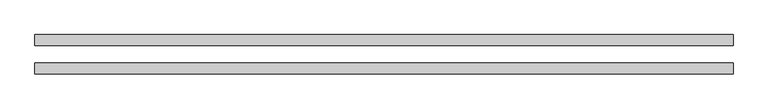
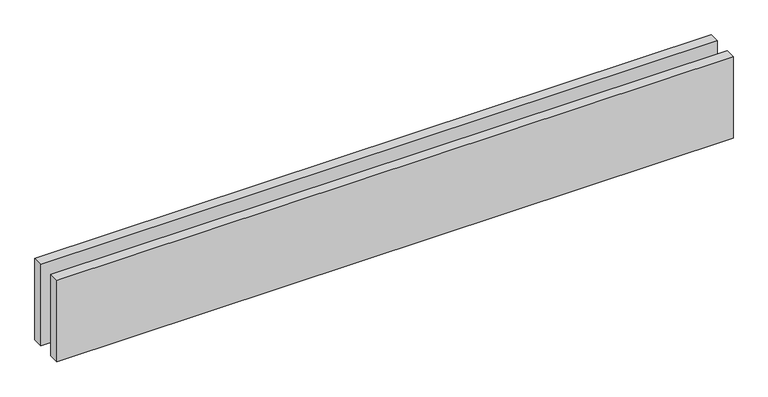
"""IFC4 building model written with IfcOpenShell, lengths in millimetres: proxy geometry."""

from ifc_helpers import new_model, si_unit, origin, origin_with_axes, place, context, project, spatial, polyline, outline, extrude, source, transform, mapped, element, save


def generic_models_c829f87e(model_context):
    return source(origin(), model_context, "Body", "SweptSolid", [
        extrude(outline(polyline([(1960.0, 25.0), (0.0, 25.0), (0.0, 55.0), (1960.0, 55.0), (1960.0, 25.0)])), origin_with_axes(), (0.0, 0.0, 1.0), 250.0),
        extrude(outline(polyline([(1960.0, -55.0), (0.0, -55.0), (0.0, -25.0), (1960.0, -25.0), (1960.0, -55.0)])), origin_with_axes(), (0.0, 0.0, 1.0), 250.0),
    ])


if __name__ == "__main__":
    model = new_model("IFC4")
    model_context = context("Model", 3, world=origin())
    ifc_project = project(units=[si_unit("LENGTHUNIT", "METRE", prefix="MILLI")], contexts=[model_context])
    site = spatial("IfcSite", under=ifc_project)
    building = spatial("IfcBuilding", under=site)
    placement = place(None, origin())
    generic_models_shape = generic_models_c829f87e(model_context)
    element("IfcBuildingElementProxy", 1, Name="Generic Models", at=placement, inside=building, context=model_context, shape_type="MappedRepresentation", body=[
        mapped(generic_models_shape, transform((0.0, 0.0, 0.0), x_axis=(1.0, 0.0, 0.0), y_axis=(0.0, 1.0, 0.0), z_axis=(0.0, 0.0, 1.0))),
    ])
    save(model, "model.ifc")
